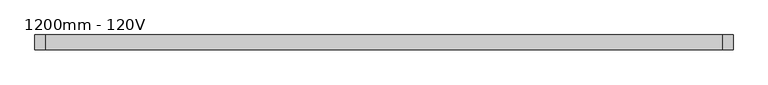
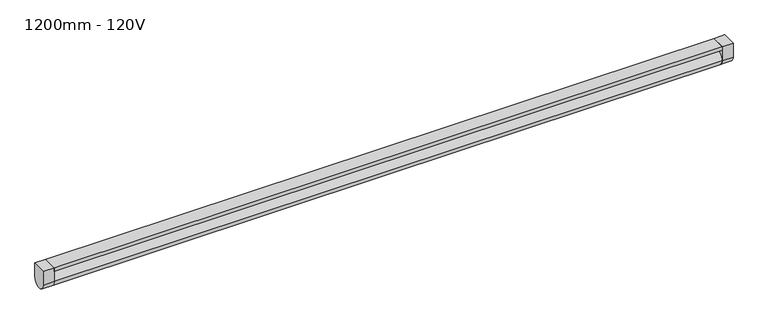
"""IFC4 building model written with IfcOpenShell, lengths in millimetres: light fixture geometry, 1200mm - 120V."""

from ifc_helpers import new_model, si_unit, point, frame, frame_2d, origin, place, context, project, spatial, polyline, circle_curve, trimmed, segment, composite_curve, outline, extrude, source, transform, mapped, element, save


def light_fixture_1200mm_120v_72c973f1(model_context):
    return source(origin(), model_context, "Body", "SweptSolid", [
        extrude(outline(polyline([(580.95, -205.9435765), (580.95, -231.3435765), (-580.95, -231.3435765), (-580.95, -205.9435765), (580.95, -205.9435765)])), frame((0.0, 0.0, 1343.65), z_axis=(0.0, 0.0, 1.0), x_axis=(1.0, 0.0, 0.0)), (0.0, 0.0, 1.0), 6.35),
        extrude(outline(composite_curve([segment(trimmed(circle_curve(frame_2d((-218.6435765, 1324.6)), 12.7), [point((-205.9435765, 1324.6))], [point((-231.3435765, 1324.6))], False, "CARTESIAN"), True, "CONTINUOUS"), segment(polyline([(-231.3435765, 1324.6), (-231.3435765, 1350.0), (-205.9435765, 1350.0), (-205.9435765, 1324.6)]), True, "CONTINUOUS")], self_intersect=False)), frame((-600.0, 0.0, 0.0), z_axis=(1.0, 0.0, 0.0), x_axis=(0.0, 1.0, 0.0)), (0.0, 0.0, 1.0), 19.05),
        extrude(outline(composite_curve([segment(trimmed(circle_curve(frame_2d((-218.6435765, 1324.6)), 12.7), [point((-205.9435765, 1324.6))], [point((-231.3435765, 1324.6))], False, "CARTESIAN"), True, "CONTINUOUS"), segment(polyline([(-231.3435765, 1324.6), (-231.3435765, 1350.0), (-205.9435765, 1350.0), (-205.9435765, 1324.6)]), True, "CONTINUOUS")], self_intersect=False)), frame((580.95, 0.0, 0.0), z_axis=(1.0, 0.0, 0.0), x_axis=(0.0, 1.0, 0.0)), (0.0, 0.0, 1.0), 19.05),
        extrude(outline(composite_curve([segment(trimmed(circle_curve(frame_2d((-218.6435765, 1324.6)), 12.7), [point((-231.3435765, 1324.6))], [point((-205.9435765, 1324.6))], False, "CARTESIAN"), True, "CONTINUOUS"), segment(trimmed(circle_curve(frame_2d((-218.6435765, 1324.6)), 12.7), [point((-205.9435765, 1324.6))], [point((-231.3435765, 1324.6))], False, "CARTESIAN"), True, "CONTINUOUS")], self_intersect=False)), frame((-580.95, 0.0, 0.0), z_axis=(1.0, 0.0, 0.0), x_axis=(0.0, 1.0, 0.0)), (0.0, 0.0, 1.0), 1161.9),
    ])


if __name__ == "__main__":
    model = new_model("IFC4")
    model_context = context("Model", 3, world=origin())
    ifc_project = project(units=[si_unit("LENGTHUNIT", "METRE", prefix="MILLI")], contexts=[model_context])
    site = spatial("IfcSite", under=ifc_project)
    building = spatial("IfcBuilding", under=site)
    placement = place(None, origin())
    light_fixture_1200mm_120v_shape = light_fixture_1200mm_120v_72c973f1(model_context)
    element("IfcLightFixture", 1, ObjectType="1200mm - 120V", at=placement, inside=building, context=model_context, shape_type="MappedRepresentation", body=[
        mapped(light_fixture_1200mm_120v_shape, transform((0.0, 0.0, 0.0), x_axis=(1.0, 0.0, 0.0), y_axis=(0.0, 1.0, 0.0), z_axis=(0.0, 0.0, 1.0))),
    ])
    save(model, "model.ifc")
